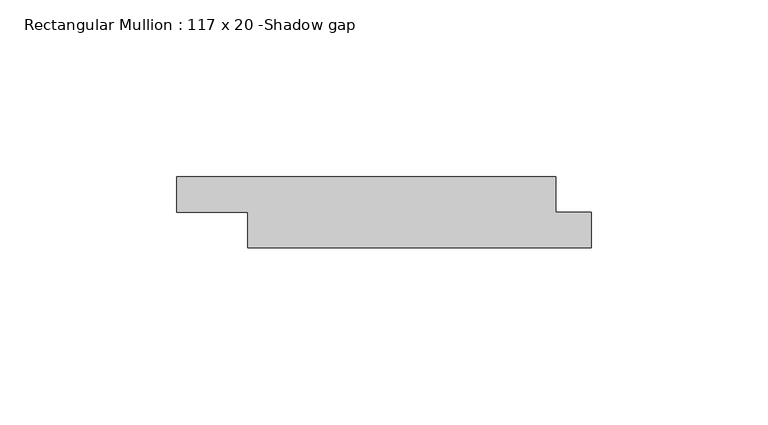
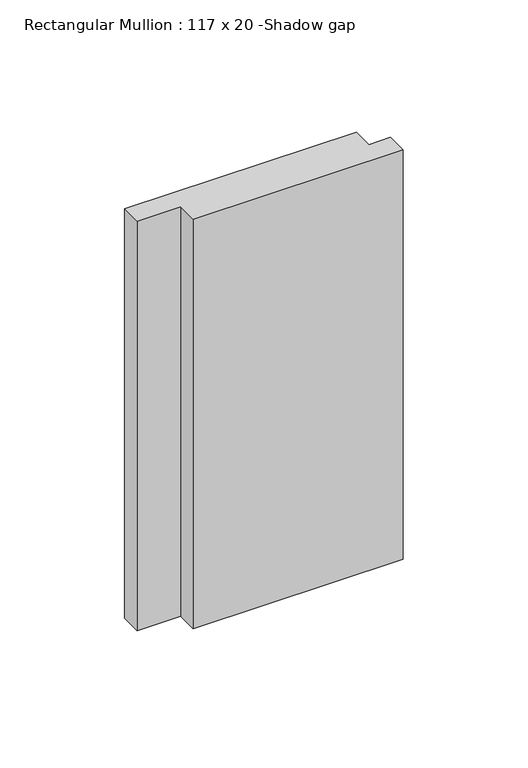
"""IFC4 building model written with IfcOpenShell, lengths in millimetres: member geometry, Rectangular Mullion : 117 x 20 -Shadow gap."""

from ifc_helpers import new_model, si_unit, frame, origin, place, context, project, spatial, polyline, outline, extrude, source, transform, mapped, element, save


def rectangular_mullion_117_x_20_shadow_gap_1a31a5f0(model_context):
    return source(origin(), model_context, "Body", "SweptSolid", [
        extrude(outline(polyline([(-117.0, -10.0), (-117.0, 0.0), (-10.0, 0.0), (-10.0, -10.0), (0.0, -10.0), (0.0, -20.0), (-97.0, -20.0), (-97.0, -10.0), (-117.0, -10.0)])), frame((0.0, 0.0, -200.0), z_axis=(0.0, 0.0, 1.0), x_axis=(1.0, 0.0, 0.0)), (0.0, 0.0, 1.0), 200.0),
    ])


if __name__ == "__main__":
    model = new_model("IFC4")
    model_context = context("Model", 3, world=origin())
    ifc_project = project(units=[si_unit("LENGTHUNIT", "METRE", prefix="MILLI")], contexts=[model_context])
    site = spatial("IfcSite", under=ifc_project)
    building = spatial("IfcBuilding", under=site)
    placement = place(None, origin())
    rectangular_mullion_117_x_20_shadow_gap_shape = rectangular_mullion_117_x_20_shadow_gap_1a31a5f0(model_context)
    element("IfcMember", 1, ObjectType="Rectangular Mullion : 117 x 20 -Shadow gap", at=placement, inside=building, context=model_context, shape_type="MappedRepresentation", body=[
        mapped(rectangular_mullion_117_x_20_shadow_gap_shape, transform((0.0, 0.0, 0.0), x_axis=(1.0, 0.0, 0.0), y_axis=(0.0, 1.0, 0.0), z_axis=(0.0, 0.0, 1.0))),
    ])
    save(model, "model.ifc")
